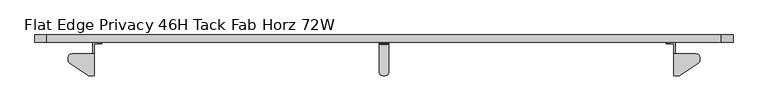
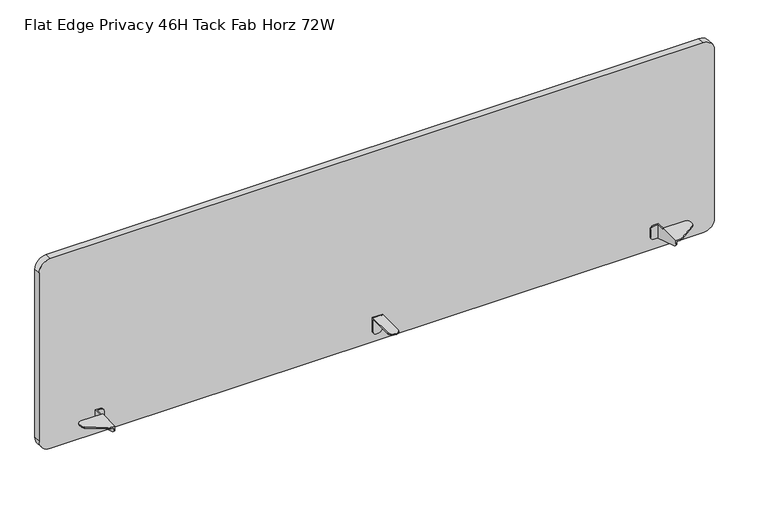
"""IFC4 building model written with IfcOpenShell, lengths in millimetres: furniture geometry, Flat Edge Privacy 46H Tack Fab Horz 72W."""

import ifcopenshell
import ifcopenshell.guid

model = None  # the IFC model being written
_history = None  # IfcOwnerHistory: only IFC2X3 demands one
_inside = {}  # id of a spatial element -> (the spatial element, [elements in it])
_under = {}  # id of a project, library or spatial element -> (it, [spatial elements below it])
_declared = {}  # id of a project -> (the project, [libraries it declares])
_typed = {}  # id of a type object -> (the type object, [elements of that type])
_made_of = {}  # id of a material, layer set ... -> (it, [elements and type objects made of it])


def new_model(schema):
    """Start an empty IFC model of exactly this schema.

    Asked for "IFC4X3", IfcOpenShell would pick the latest addendum, in which some entities
    have other attributes; the version numbers below select the first issue.
    IFC2X3 requires an IfcOwnerHistory on every rooted entity: one is made here for all.
    """
    global model, _history
    if schema == "IFC4X3":
        model = ifcopenshell.file(schema_version=(4, 3, 0, 0))
    else:
        model = ifcopenshell.file(schema=schema)
    _inside.clear()
    _under.clear()
    _declared.clear()
    _typed.clear()
    _made_of.clear()
    _history = None
    if model.schema == "IFC2X3":
        org = make("IfcOrganization", Name="unknown")
        user = make(
            "IfcPersonAndOrganization",
            ThePerson=make("IfcPerson", FamilyName="unknown"),
            TheOrganization=org,
        )
        app = make(
            "IfcApplication",
            ApplicationDeveloper=org,
            Version="unknown",
            ApplicationFullName="unknown",
            ApplicationIdentifier="unknown",
        )
        _history = make(
            "IfcOwnerHistory",
            OwningUser=user,
            OwningApplication=app,
            ChangeAction="ADDED",
            CreationDate=0,
        )
    return model


def make(cls, **values):
    """One entity of the class cls with the attributes given. An attribute that is None is left unset."""
    return model.create_entity(
        cls, **{name: value for name, value in values.items() if value is not None}
    )


def rooted(cls, **values):
    """An entity with a GlobalId (a new one), such as an element, a storey or a relation."""
    return make(cls, GlobalId=ifcopenshell.guid.new(), OwnerHistory=_history, **values)


def si_unit(unit_type, name, prefix=None):
    """IfcSIUnit, for example si_unit("LENGTHUNIT", "METRE", prefix="MILLI")."""
    return make("IfcSIUnit", UnitType=unit_type, Prefix=prefix, Name=name)


def assignment(units):
    """IfcUnitAssignment: the units of a project."""
    return None if units is None else make("IfcUnitAssignment", Units=units)


def point(xyz):
    """IfcCartesianPoint."""
    return None if xyz is None else make("IfcCartesianPoint", Coordinates=xyz)


def direction(xyz):
    """IfcDirection."""
    return None if xyz is None else make("IfcDirection", DirectionRatios=xyz)


def frame(location, z_axis=None, x_axis=None):
    """IfcAxis2Placement3D, a coordinate frame: its origin and axes. An axis left out is left unset."""
    return make(
        "IfcAxis2Placement3D",
        Location=point(location),
        Axis=direction(z_axis),
        RefDirection=direction(x_axis),
    )


def frame_2d(location, x_axis=None):
    """IfcAxis2Placement2D, a coordinate frame in the plane: its origin and x axis."""
    return make(
        "IfcAxis2Placement2D", Location=point(location), RefDirection=direction(x_axis)
    )


def origin():
    """The frame at (0, 0, 0) with its axes left unset."""
    return frame((0.0, 0.0, 0.0))


def place(relative_to, where):
    """IfcLocalPlacement: puts the frame where relative to a parent placement (None: the world)."""
    return make(
        "IfcLocalPlacement", PlacementRelTo=relative_to, RelativePlacement=where
    )


def context(
    kind, dimensions, precision=None, world=None, true_north=None, identifier=None
):
    """IfcGeometricRepresentationContext, for example the 3D "Model" context."""
    return make(
        "IfcGeometricRepresentationContext",
        ContextIdentifier=identifier,
        ContextType=kind,
        CoordinateSpaceDimension=dimensions,
        Precision=precision,
        WorldCoordinateSystem=world,
        TrueNorth=true_north,
    )


def project(units=None, contexts=None):
    """IfcProject with its units and contexts."""
    return rooted(
        "IfcProject",
        Name="project",
        RepresentationContexts=contexts,
        UnitsInContext=assignment(units),
    )


def spatial(cls, under=None, at=None, **own):
    """A site, building, storey or space (cls), placed at a placement, below another one or the project."""
    s = rooted(cls, ObjectPlacement=at, **own)
    if under is not None:
        _under.setdefault(under.id(), (under, []))[1].append(s)
    return s


def polyline(points):
    """IfcPolyline through the points."""
    return make("IfcPolyline", Points=[point(p) for p in points])


def circle_curve(where, radius):
    """IfcCircle in the frame where."""
    return make("IfcCircle", Position=where, Radius=radius)


def trimmed(basis, trim1, trim2, sense, master):
    """IfcTrimmedCurve: the piece of a basis curve between two trims."""
    return make(
        "IfcTrimmedCurve",
        BasisCurve=basis,
        Trim1=trim1,
        Trim2=trim2,
        SenseAgreement=sense,
        MasterRepresentation=master,
    )


def segment(curve, same_sense, transition):
    """IfcCompositeCurveSegment."""
    return make(
        "IfcCompositeCurveSegment",
        Transition=transition,
        SameSense=same_sense,
        ParentCurve=curve,
    )


def composite_curve(segments, self_intersect=None):
    """IfcCompositeCurve: segments joined end to end."""
    return make("IfcCompositeCurve", Segments=segments, SelfIntersect=self_intersect)


def outline(outer, holes=None, kind="AREA"):
    """IfcArbitraryClosedProfileDef: a profile drawn as a closed curve; with holes, ...WithVoids."""
    if holes is None:
        return make("IfcArbitraryClosedProfileDef", ProfileType=kind, OuterCurve=outer)
    return make(
        "IfcArbitraryProfileDefWithVoids",
        ProfileType=kind,
        OuterCurve=outer,
        InnerCurves=holes,
    )


def extrude(swept, where, along, depth):
    """IfcExtrudedAreaSolid: the profile swept, set in the frame where, extruded along a direction by depth."""
    return make(
        "IfcExtrudedAreaSolid",
        SweptArea=swept,
        Position=where,
        ExtrudedDirection=direction(along),
        Depth=depth,
    )


def faces_of(points, faces, orient=None, outer=None):
    """IfcFace entities. A face is a list of loops; a loop is a list of indices into points, from 0.

    orient and outer hold one flag for each loop. By default every Orientation is true, the
    first loop of a face is its IfcFaceOuterBound and the others are IfcFaceBound.
    """
    made = []
    for i, loops in enumerate(faces):
        bounds = []
        for j, loop in enumerate(loops):
            is_outer = j == 0 if outer is None else outer[i][j]
            bounds.append(
                make(
                    "IfcFaceOuterBound" if is_outer else "IfcFaceBound",
                    Bound=make("IfcPolyLoop", Polygon=[points[k] for k in loop]),
                    Orientation=True if orient is None else orient[i][j],
                )
            )
        made.append(make("IfcFace", Bounds=bounds))
    return made


def faceted_brep(points, faces, orient=None, outer=None, voids=None):
    """IfcFacetedBrep: a solid bounded by flat faces; with voids (closed shells), ...WithVoids."""
    shared = [point(p) for p in points]
    hull = make("IfcClosedShell", CfsFaces=faces_of(shared, faces, orient, outer))
    if voids is None:
        return make("IfcFacetedBrep", Outer=hull)
    return make(
        "IfcFacetedBrepWithVoids",
        Outer=hull,
        Voids=[
            make(cls, CfsFaces=faces_of(shared, fs, o, b)) for cls, fs, o, b in voids
        ],
    )


def shape(context_of_items, identifier, shape_type, items):
    """IfcShapeRepresentation: the items that make up one representation, for example the "Body"."""
    return make(
        "IfcShapeRepresentation",
        ContextOfItems=context_of_items,
        RepresentationIdentifier=identifier,
        RepresentationType=shape_type,
        Items=items,
    )


def source(mapping_origin, context_of_items, identifier, shape_type, items):
    """IfcRepresentationMap: a shape defined once, which mapped items show again and again."""
    return make(
        "IfcRepresentationMap",
        MappingOrigin=mapping_origin,
        MappedRepresentation=shape(context_of_items, identifier, shape_type, items),
    )


def transform(
    local_origin,
    x_axis=None,
    y_axis=None,
    z_axis=None,
    scale=None,
    scale2=None,
    scale3=None,
    uniform=True,
):
    """IfcCartesianTransformationOperator3D, or its non-uniform kind. x_axis, y_axis, z_axis: its Axis1, 2, 3."""
    if uniform:
        return make(
            "IfcCartesianTransformationOperator3D",
            Axis1=direction(x_axis),
            Axis2=direction(y_axis),
            LocalOrigin=point(local_origin),
            Scale=scale,
            Axis3=direction(z_axis),
        )
    return make(
        "IfcCartesianTransformationOperator3DnonUniform",
        Axis1=direction(x_axis),
        Axis2=direction(y_axis),
        LocalOrigin=point(local_origin),
        Scale=scale,
        Axis3=direction(z_axis),
        Scale2=scale2,
        Scale3=scale3,
    )


def mapped(mapping_source, mapping_target):
    """IfcMappedItem: shows the shape of a source again, moved by a transform."""
    return make(
        "IfcMappedItem", MappingSource=mapping_source, MappingTarget=mapping_target
    )


def made_of(thing, what):
    """Note that an element or type object is made of a material, layer set ...; save() writes the relation."""
    if what is not None:
        _made_of.setdefault(what.id(), (what, []))[1].append(thing)
    return thing


def element(
    cls,
    number,
    at=None,
    inside=None,
    cuts=None,
    type_object=None,
    material=None,
    context=None,
    identifier="Body",
    shape_type=None,
    held_by="IfcProductDefinitionShape",
    body=None,
    shapes=None,
    **own,
):
    """One element of the class cls, such as IfcWall. Its Tag is "e" and its number.

    at: its placement. inside: the storey or other place that contains it. cuts: it is an
    opening in that element (IfcRelVoidsElement). A single representation is given by context,
    identifier, shape_type and body (its items); several are given by shapes. held_by: the class
    of the entity that holds the representations. save() writes the other relations.
    """
    e = rooted(cls, Tag="e%d" % number, ObjectPlacement=at, **own)
    if body is not None:
        shapes = [shape(context, identifier, shape_type, body)]
    if shapes is not None:
        e.Representation = make(held_by, Representations=shapes)
    if inside is not None:
        _inside.setdefault(inside.id(), (inside, []))[1].append(e)
    if cuts is not None:
        rooted(
            "IfcRelVoidsElement", RelatingBuildingElement=cuts, RelatedOpeningElement=e
        )
    if type_object is not None:
        _typed.setdefault(type_object.id(), (type_object, []))[1].append(e)
    return made_of(e, material)


def aggregate(whole, parts):
    """IfcRelAggregates: a whole, such as a stair, and the parts it consists of."""
    return rooted("IfcRelAggregates", RelatingObject=whole, RelatedObjects=parts)


def save(model, path):
    """Write the relations noted so far, then the file.

    IfcRelAggregates (storeys below a building ...), IfcRelContainedInSpatialStructure (elements
    in a storey), IfcRelDefinesByType, IfcRelAssociatesMaterial and IfcRelDeclares: one each for
    every whole, place, type object, material and project.
    """
    for whole, parts in _under.values():
        aggregate(whole, parts)
    for where, things in _inside.values():
        rooted(
            "IfcRelContainedInSpatialStructure",
            RelatedElements=things,
            RelatingStructure=where,
        )
    for kind, things in _typed.values():
        rooted("IfcRelDefinesByType", RelatedObjects=things, RelatingType=kind)
    for what, things in _made_of.values():
        rooted("IfcRelAssociatesMaterial", RelatedObjects=things, RelatingMaterial=what)
    for by, libraries in _declared.values():
        rooted("IfcRelDeclares", RelatingContext=by, RelatedDefinitions=libraries)
    model.write(path)


def flat_edge_privacy_46h_tack_fab_horz_72w_1430a9dd(model_context):
    return source(origin(), model_context, "Body", "SolidModel", [
        faceted_brep([(925.576, -4.6481194, 683.8440147), (925.576, -3.8480195, 683.6296383), (925.576, -3.2623054, 683.0439182), (925.576, -3.0479193, 682.2438217), (925.576, -3.0479193, 647.6488775), (925.576, 0.0, 647.6488775), (925.576, 0.0, 682.2441225), (925.576, -0.6226601, 684.5679531), (925.576, -2.3240194, 686.2693027), (925.576, -4.6481194, 686.8920118), (925.576, -75.4380998, 686.8920118), (925.576, -75.4380998, 683.8440147), (900.176, -4.6481194, 686.8920118), (900.176, -2.3240194, 686.2693027), (900.176, -0.6226601, 684.5679531), (900.176, 0.0, 682.2441225), (900.176, 0.0, 647.6490583), (900.176, -3.0479193, 647.6490583), (900.176, -3.0479193, 682.2438217), (900.176, -3.2623054, 683.0439182), (900.176, -3.8480195, 683.6296383), (900.176, -4.6481194, 683.8440147), (900.176, -75.437919, 683.8440147), (900.176, -75.437919, 686.8920118), (901.4521576, -3.0479193, 642.8865583), (904.9385, -3.0479193, 639.4001432), (909.701, -3.0479193, 638.1240583), (916.0510484, -3.0479193, 638.1240583), (920.8135484, -3.0479193, 639.4001432), (924.2998909, -3.0479193, 642.8865583), (909.701, 0.0, 638.1240583), (916.0510484, 0.0, 638.1240583), (924.2998909, 0.0, 642.8865583), (920.8135484, 0.0, 639.4001432), (904.9385, 0.0, 639.4001432), (901.4521576, 0.0, 642.8865583), (901.4521576, -80.200419, 686.8920118), (904.9385, -83.6868159, 686.8920118), (909.701, -84.962919, 686.8920118), (916.0510484, -84.962919, 686.8920118), (920.8135484, -83.6868159, 686.8920118), (924.2998909, -80.200419, 686.8920118), (909.701, -84.962919, 683.8440147), (916.0510484, -84.962919, 683.8440147), (924.2998909, -80.200419, 683.8440147), (920.8135484, -83.6868159, 683.8440147), (904.9385, -83.6868159, 683.8440147), (901.4521576, -80.200419, 683.8440147)], [[[0, 1, 2, 3, 4, 5, 6, 7, 8, 9, 10, 11]], [[12, 13, 14, 15, 16, 17, 18, 19, 20, 21, 22, 23]], [[1, 0, 21, 20]], [[2, 1, 20, 19]], [[3, 2, 19, 18]], [[3, 18, 17, 24, 25, 26, 27, 28, 29, 4]], [[27, 26, 30, 31]], [[15, 6, 5, 32, 33, 31, 30, 34, 35, 16]], [[7, 6, 15, 14]], [[8, 7, 14, 13]], [[9, 8, 13, 12]], [[9, 12, 23, 36, 37, 38, 39, 40, 41, 10]], [[39, 38, 42, 43]], [[21, 0, 11, 44, 45, 43, 42, 46, 47, 22]], [[37, 46, 42, 38]], [[46, 37, 36, 47]], [[47, 36, 23, 22]], [[41, 44, 11, 10]], [[44, 41, 40, 45]], [[45, 40, 39, 43]], [[25, 34, 30, 26]], [[34, 25, 24, 35]], [[35, 24, 17, 16]], [[29, 32, 5, 4]], [[32, 29, 28, 33]], [[33, 28, 27, 31]]]),
        faceted_brep([(172.7962029, 0.0, 645.2614134), (185.6231998, 0.0, 645.2614134), (185.6231998, -3.0479994, 645.2614134), (175.8442, -3.0479994, 645.2614134), (172.7962029, -3.0479994, 645.2614134), (175.8442, -28.1940001, 687.6031603), (119.0751996, -28.1940001, 687.6031603), (114.3126996, -29.470108, 687.6031603), (110.8263027, -32.9564998, 687.6031603), (109.5501996, -37.7190004, 687.6031603), (109.5501996, -45.0855338, 687.6031603), (110.0601522, -48.1603598, 687.6031603), (111.5354073, -50.905943, 687.6031603), (113.8179987, -53.0282948, 687.6031603), (159.4836979, -83.2537619, 687.6031603), (161.1214431, -84.1215187, 687.6031603), (162.896244, -84.6556703, 687.6031603), (164.7408988, -84.8360008, 687.6031603), (175.8442, -84.8360008, 687.6031603), (164.7408988, -84.8360008, 684.5551632), (172.7962029, -84.8360008, 684.5551632), (172.7962029, -84.8360008, 679.971722), (175.8442, -84.8360008, 679.971722), (172.7962029, 0.0, 682.5231651), (185.6231998, 0.0, 682.5231651), (190.3856998, 0.0, 681.2470802), (193.8720967, 0.0, 677.7606651), (195.1481998, 0.0, 672.9981651), (195.1481998, 0.0, 654.7864134), (193.8720967, 0.0, 650.0239134), (190.3856998, 0.0, 646.5374983), (172.7962029, -28.1940001, 684.5551632), (162.896244, -84.6556703, 684.5551632), (161.1214431, -84.1215187, 684.5551632), (159.4836979, -83.2537619, 684.5551632), (113.8179987, -53.0282948, 684.5551632), (111.5354073, -50.905943, 684.5551632), (110.0601522, -48.1603598, 684.5551632), (109.5501996, -45.0855338, 684.5551632), (109.5501996, -37.7190004, 684.5551632), (110.8263027, -32.9564998, 684.5551632), (114.3126996, -29.470108, 684.5551632), (119.0751996, -28.1940001, 684.5551632), (172.7962029, -28.1940001, 682.5231651), (172.7962029, -74.3413335, 667.4647093), (172.7962029, -79.719916, 669.7847712), (172.7962029, -83.485134, 674.2719973), (175.8442, -28.1940001, 682.5231651), (175.8442, -3.0479994, 682.5231651), (175.8442, -83.485134, 674.2719973), (175.8442, -79.719916, 669.7847712), (175.8442, -74.3413335, 667.4647093), (185.6231998, -3.0479994, 682.5231651), (190.3856998, -3.0479994, 681.2470802), (193.8720967, -3.0479994, 677.7606651), (195.1481998, -3.0479994, 672.9981651), (195.1481998, -3.0479994, 654.7864134), (193.8720967, -3.0479994, 650.0239134), (190.3856998, -3.0479994, 646.5374983)], [[[0, 1, 2, 3, 4]], [[5, 6, 7, 8, 9, 10, 11, 12, 13, 14, 15, 16, 17, 18]], [[18, 17, 19, 20, 21, 22]], [[1, 0, 23, 24, 25, 26, 27, 28, 29, 30]], [[31, 20, 19, 32, 33, 34, 35, 36, 37, 38, 39, 40, 41, 42]], [[20, 31, 43, 23, 0, 4, 44, 45, 46, 21]], [[5, 47, 43, 31, 42, 6]], [[7, 6, 42, 41]], [[8, 7, 41, 40]], [[9, 8, 40, 39]], [[10, 9, 39, 38]], [[11, 10, 38, 37]], [[12, 11, 37, 36]], [[13, 12, 36, 35]], [[14, 13, 35, 34]], [[15, 14, 34, 33]], [[16, 15, 33, 32]], [[17, 16, 32, 19]], [[3, 48, 47, 5, 18, 22, 49, 50, 51]], [[23, 43, 47, 48, 52, 24]], [[25, 24, 52, 53]], [[26, 25, 53, 54]], [[27, 26, 54, 55]], [[28, 27, 55, 56]], [[29, 28, 56, 57]], [[30, 29, 57, 58]], [[1, 30, 58, 2]], [[48, 3, 2, 58, 57, 56, 55, 54, 53, 52]], [[51, 44, 4, 3]], [[44, 51, 50, 45]], [[45, 50, 49, 46]], [[46, 49, 22, 21]]]),
        faceted_brep([(1652.9557971, 0.0, 645.2614134), (1652.9557971, -3.0479994, 645.2614134), (1649.9078, -3.0479994, 645.2614134), (1640.1288002, -3.0479994, 645.2614134), (1640.1288002, 0.0, 645.2614134), (1649.9078, -28.1940001, 687.6031603), (1649.9078, -84.8360008, 687.6031603), (1661.0111012, -84.8360008, 687.6031603), (1662.855756, -84.6556703, 687.6031603), (1664.6305569, -84.1215187, 687.6031603), (1666.2683021, -83.2537619, 687.6031603), (1711.9340013, -53.0282948, 687.6031603), (1714.2165927, -50.905943, 687.6031603), (1715.6918478, -48.1603598, 687.6031603), (1716.2018004, -45.0855338, 687.6031603), (1716.2018004, -37.7190004, 687.6031603), (1714.9256973, -32.9564998, 687.6031603), (1711.4393004, -29.470108, 687.6031603), (1706.6768004, -28.1940001, 687.6031603), (1649.9078, -84.8360008, 679.971722), (1652.9557971, -84.8360008, 679.971722), (1652.9557971, -84.8360008, 684.5551632), (1661.0111012, -84.8360008, 684.5551632), (1635.3663002, 0.0, 646.5374983), (1631.8799033, 0.0, 650.0239134), (1630.6038002, 0.0, 654.7864134), (1630.6038002, 0.0, 672.9981651), (1631.8799033, 0.0, 677.7606651), (1635.3663002, 0.0, 681.2470802), (1640.1288002, 0.0, 682.5231651), (1652.9557971, 0.0, 682.5231651), (1652.9557971, -28.1940001, 684.5551632), (1706.6768004, -28.1940001, 684.5551632), (1711.4393004, -29.470108, 684.5551632), (1714.9256973, -32.9564998, 684.5551632), (1716.2018004, -37.7190004, 684.5551632), (1716.2018004, -45.0855338, 684.5551632), (1715.6918478, -48.1603598, 684.5551632), (1714.2165927, -50.905943, 684.5551632), (1711.9340013, -53.0282948, 684.5551632), (1666.2683021, -83.2537619, 684.5551632), (1664.6305569, -84.1215187, 684.5551632), (1662.855756, -84.6556703, 684.5551632), (1652.9557971, -83.485134, 674.2719973), (1652.9557971, -79.719916, 669.7847712), (1652.9557971, -74.3413335, 667.4647093), (1652.9557971, -28.1940001, 682.5231651), (1649.9078, -28.1940001, 682.5231651), (1649.9078, -74.3413335, 667.4647093), (1649.9078, -79.719916, 669.7847712), (1649.9078, -83.485134, 674.2719973), (1649.9078, -3.0479994, 682.5231651), (1640.1288002, -3.0479994, 682.5231651), (1635.3663002, -3.0479994, 681.2470802), (1631.8799033, -3.0479994, 677.7606651), (1630.6038002, -3.0479994, 672.9981651), (1630.6038002, -3.0479994, 654.7864134), (1631.8799033, -3.0479994, 650.0239134), (1635.3663002, -3.0479994, 646.5374983)], [[[0, 1, 2, 3, 4]], [[5, 6, 7, 8, 9, 10, 11, 12, 13, 14, 15, 16, 17, 18]], [[6, 19, 20, 21, 22, 7]], [[4, 23, 24, 25, 26, 27, 28, 29, 30, 0]], [[31, 32, 33, 34, 35, 36, 37, 38, 39, 40, 41, 42, 22, 21]], [[21, 20, 43, 44, 45, 1, 0, 30, 46, 31]], [[5, 18, 32, 31, 46, 47]], [[17, 33, 32, 18]], [[16, 34, 33, 17]], [[15, 35, 34, 16]], [[14, 36, 35, 15]], [[13, 37, 36, 14]], [[12, 38, 37, 13]], [[11, 39, 38, 12]], [[10, 40, 39, 11]], [[9, 41, 40, 10]], [[8, 42, 41, 9]], [[7, 22, 42, 8]], [[2, 48, 49, 50, 19, 6, 5, 47, 51]], [[30, 29, 52, 51, 47, 46]], [[28, 53, 52, 29]], [[27, 54, 53, 28]], [[26, 55, 54, 27]], [[25, 56, 55, 26]], [[24, 57, 56, 25]], [[23, 58, 57, 24]], [[4, 3, 58, 23]], [[51, 52, 53, 54, 55, 56, 57, 58, 3, 2]], [[48, 2, 1, 45]], [[45, 44, 49, 48]], [[44, 43, 50, 49]], [[43, 20, 19, 50]]]),
        extrude(outline(composite_curve([segment(trimmed(circle_curve(frame_2d((646.0233504, 55.372)), 29.972), [point((646.0233504, 25.4))], [point((616.0513504, 55.372))], False, "CARTESIAN"), True, "CONTINUOUS"), segment(polyline([(616.0513504, 55.372), (616.0513504, 1770.38)]), True, "CONTINUOUS"), segment(trimmed(circle_curve(frame_2d((646.0233504, 1770.38)), 29.972), [point((616.0513504, 1770.38))], [point((646.0233504, 1800.352))], False, "CARTESIAN"), True, "CONTINUOUS"), segment(polyline([(646.0233504, 1800.352), (1114.1202, 1800.352)]), True, "CONTINUOUS"), segment(trimmed(circle_curve(frame_2d((1114.1202, 1770.38)), 29.972), [point((1114.1202, 1800.352))], [point((1144.0922, 1770.38))], False, "CARTESIAN"), True, "CONTINUOUS"), segment(polyline([(1144.0922, 1770.38), (1144.0922, 55.372)]), True, "CONTINUOUS"), segment(trimmed(circle_curve(frame_2d((1114.1202, 55.372)), 29.972), [point((1144.0922, 55.372))], [point((1114.1202, 25.4))], False, "CARTESIAN"), True, "CONTINUOUS"), segment(polyline([(1114.1202, 25.4), (646.0233504, 25.4)]), True, "CONTINUOUS")], self_intersect=False)), frame((0.0, 0.0, 0.0), z_axis=(0.0, 1.0, 0.0), x_axis=(0.0, 0.0, 1.0)), (0.0, 0.0, 1.0), 19.05),
    ])


if __name__ == "__main__":
    model = new_model("IFC4")
    model_context = context("Model", 3, world=origin())
    ifc_project = project(units=[si_unit("LENGTHUNIT", "METRE", prefix="MILLI")], contexts=[model_context])
    site = spatial("IfcSite", under=ifc_project)
    building = spatial("IfcBuilding", under=site)
    placement = place(None, origin())
    flat_edge_privacy_46h_tack_fab_horz_72w_shape = flat_edge_privacy_46h_tack_fab_horz_72w_1430a9dd(model_context)
    element("IfcFurniture", 1, ObjectType="Flat Edge Privacy 46H Tack Fab Horz 72W", at=placement, inside=building, context=model_context, shape_type="MappedRepresentation", body=[
        mapped(flat_edge_privacy_46h_tack_fab_horz_72w_shape, transform((0.0, 0.0, 0.0), x_axis=(1.0, 0.0, 0.0), y_axis=(0.0, 1.0, 0.0), z_axis=(0.0, 0.0, 1.0))),
    ])
    save(model, "model.ifc")
